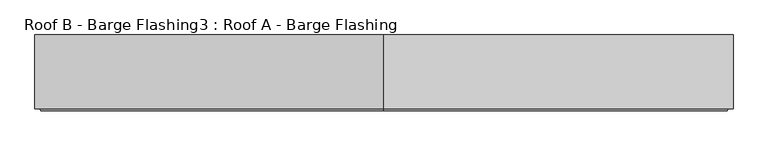
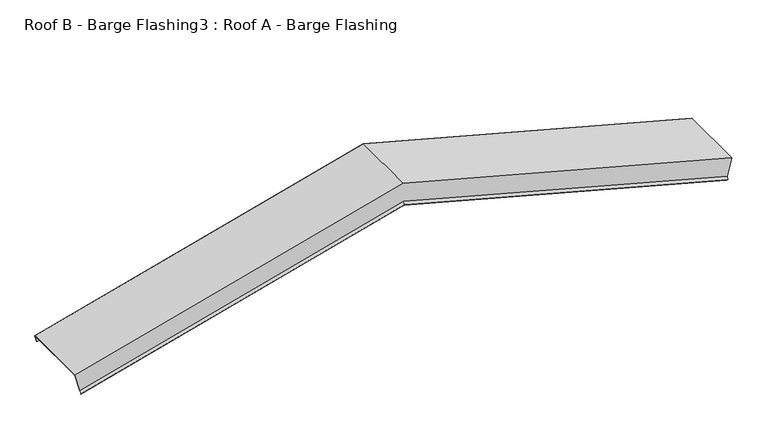
"""IFC4 building model written with IfcOpenShell, lengths in millimetres: proxy geometry, Roof B - Barge Flashing3 : Roof A - Barge Flashing."""

import ifcopenshell
import ifcopenshell.guid

model = None  # the IFC model being written
_history = None  # IfcOwnerHistory: only IFC2X3 demands one
_inside = {}  # id of a spatial element -> (the spatial element, [elements in it])
_under = {}  # id of a project, library or spatial element -> (it, [spatial elements below it])
_declared = {}  # id of a project -> (the project, [libraries it declares])
_typed = {}  # id of a type object -> (the type object, [elements of that type])
_made_of = {}  # id of a material, layer set ... -> (it, [elements and type objects made of it])


def new_model(schema):
    """Start an empty IFC model of exactly this schema.

    Asked for "IFC4X3", IfcOpenShell would pick the latest addendum, in which some entities
    have other attributes; the version numbers below select the first issue.
    IFC2X3 requires an IfcOwnerHistory on every rooted entity: one is made here for all.
    """
    global model, _history
    if schema == "IFC4X3":
        model = ifcopenshell.file(schema_version=(4, 3, 0, 0))
    else:
        model = ifcopenshell.file(schema=schema)
    _inside.clear()
    _under.clear()
    _declared.clear()
    _typed.clear()
    _made_of.clear()
    _history = None
    if model.schema == "IFC2X3":
        org = make("IfcOrganization", Name="unknown")
        user = make(
            "IfcPersonAndOrganization",
            ThePerson=make("IfcPerson", FamilyName="unknown"),
            TheOrganization=org,
        )
        app = make(
            "IfcApplication",
            ApplicationDeveloper=org,
            Version="unknown",
            ApplicationFullName="unknown",
            ApplicationIdentifier="unknown",
        )
        _history = make(
            "IfcOwnerHistory",
            OwningUser=user,
            OwningApplication=app,
            ChangeAction="ADDED",
            CreationDate=0,
        )
    return model


def make(cls, **values):
    """One entity of the class cls with the attributes given. An attribute that is None is left unset."""
    return model.create_entity(
        cls, **{name: value for name, value in values.items() if value is not None}
    )


def rooted(cls, **values):
    """An entity with a GlobalId (a new one), such as an element, a storey or a relation."""
    return make(cls, GlobalId=ifcopenshell.guid.new(), OwnerHistory=_history, **values)


def si_unit(unit_type, name, prefix=None):
    """IfcSIUnit, for example si_unit("LENGTHUNIT", "METRE", prefix="MILLI")."""
    return make("IfcSIUnit", UnitType=unit_type, Prefix=prefix, Name=name)


def assignment(units):
    """IfcUnitAssignment: the units of a project."""
    return None if units is None else make("IfcUnitAssignment", Units=units)


def point(xyz):
    """IfcCartesianPoint."""
    return None if xyz is None else make("IfcCartesianPoint", Coordinates=xyz)


def direction(xyz):
    """IfcDirection."""
    return None if xyz is None else make("IfcDirection", DirectionRatios=xyz)


def frame(location, z_axis=None, x_axis=None):
    """IfcAxis2Placement3D, a coordinate frame: its origin and axes. An axis left out is left unset."""
    return make(
        "IfcAxis2Placement3D",
        Location=point(location),
        Axis=direction(z_axis),
        RefDirection=direction(x_axis),
    )


def origin():
    """The frame at (0, 0, 0) with its axes left unset."""
    return frame((0.0, 0.0, 0.0))


def place(relative_to, where):
    """IfcLocalPlacement: puts the frame where relative to a parent placement (None: the world)."""
    return make(
        "IfcLocalPlacement", PlacementRelTo=relative_to, RelativePlacement=where
    )


def context(
    kind, dimensions, precision=None, world=None, true_north=None, identifier=None
):
    """IfcGeometricRepresentationContext, for example the 3D "Model" context."""
    return make(
        "IfcGeometricRepresentationContext",
        ContextIdentifier=identifier,
        ContextType=kind,
        CoordinateSpaceDimension=dimensions,
        Precision=precision,
        WorldCoordinateSystem=world,
        TrueNorth=true_north,
    )


def project(units=None, contexts=None):
    """IfcProject with its units and contexts."""
    return rooted(
        "IfcProject",
        Name="project",
        RepresentationContexts=contexts,
        UnitsInContext=assignment(units),
    )


def spatial(cls, under=None, at=None, **own):
    """A site, building, storey or space (cls), placed at a placement, below another one or the project."""
    s = rooted(cls, ObjectPlacement=at, **own)
    if under is not None:
        _under.setdefault(under.id(), (under, []))[1].append(s)
    return s


def faces_of(points, faces, orient=None, outer=None):
    """IfcFace entities. A face is a list of loops; a loop is a list of indices into points, from 0.

    orient and outer hold one flag for each loop. By default every Orientation is true, the
    first loop of a face is its IfcFaceOuterBound and the others are IfcFaceBound.
    """
    made = []
    for i, loops in enumerate(faces):
        bounds = []
        for j, loop in enumerate(loops):
            is_outer = j == 0 if outer is None else outer[i][j]
            bounds.append(
                make(
                    "IfcFaceOuterBound" if is_outer else "IfcFaceBound",
                    Bound=make("IfcPolyLoop", Polygon=[points[k] for k in loop]),
                    Orientation=True if orient is None else orient[i][j],
                )
            )
        made.append(make("IfcFace", Bounds=bounds))
    return made


def faceted_brep(points, faces, orient=None, outer=None, voids=None):
    """IfcFacetedBrep: a solid bounded by flat faces; with voids (closed shells), ...WithVoids."""
    shared = [point(p) for p in points]
    hull = make("IfcClosedShell", CfsFaces=faces_of(shared, faces, orient, outer))
    if voids is None:
        return make("IfcFacetedBrep", Outer=hull)
    return make(
        "IfcFacetedBrepWithVoids",
        Outer=hull,
        Voids=[
            make(cls, CfsFaces=faces_of(shared, fs, o, b)) for cls, fs, o, b in voids
        ],
    )


def shape(context_of_items, identifier, shape_type, items):
    """IfcShapeRepresentation: the items that make up one representation, for example the "Body"."""
    return make(
        "IfcShapeRepresentation",
        ContextOfItems=context_of_items,
        RepresentationIdentifier=identifier,
        RepresentationType=shape_type,
        Items=items,
    )


def source(mapping_origin, context_of_items, identifier, shape_type, items):
    """IfcRepresentationMap: a shape defined once, which mapped items show again and again."""
    return make(
        "IfcRepresentationMap",
        MappingOrigin=mapping_origin,
        MappedRepresentation=shape(context_of_items, identifier, shape_type, items),
    )


def transform(
    local_origin,
    x_axis=None,
    y_axis=None,
    z_axis=None,
    scale=None,
    scale2=None,
    scale3=None,
    uniform=True,
):
    """IfcCartesianTransformationOperator3D, or its non-uniform kind. x_axis, y_axis, z_axis: its Axis1, 2, 3."""
    if uniform:
        return make(
            "IfcCartesianTransformationOperator3D",
            Axis1=direction(x_axis),
            Axis2=direction(y_axis),
            LocalOrigin=point(local_origin),
            Scale=scale,
            Axis3=direction(z_axis),
        )
    return make(
        "IfcCartesianTransformationOperator3DnonUniform",
        Axis1=direction(x_axis),
        Axis2=direction(y_axis),
        LocalOrigin=point(local_origin),
        Scale=scale,
        Axis3=direction(z_axis),
        Scale2=scale2,
        Scale3=scale3,
    )


def mapped(mapping_source, mapping_target):
    """IfcMappedItem: shows the shape of a source again, moved by a transform."""
    return make(
        "IfcMappedItem", MappingSource=mapping_source, MappingTarget=mapping_target
    )


def made_of(thing, what):
    """Note that an element or type object is made of a material, layer set ...; save() writes the relation."""
    if what is not None:
        _made_of.setdefault(what.id(), (what, []))[1].append(thing)
    return thing


def element(
    cls,
    number,
    at=None,
    inside=None,
    cuts=None,
    type_object=None,
    material=None,
    context=None,
    identifier="Body",
    shape_type=None,
    held_by="IfcProductDefinitionShape",
    body=None,
    shapes=None,
    **own,
):
    """One element of the class cls, such as IfcWall. Its Tag is "e" and its number.

    at: its placement. inside: the storey or other place that contains it. cuts: it is an
    opening in that element (IfcRelVoidsElement). A single representation is given by context,
    identifier, shape_type and body (its items); several are given by shapes. held_by: the class
    of the entity that holds the representations. save() writes the other relations.
    """
    e = rooted(cls, Tag="e%d" % number, ObjectPlacement=at, **own)
    if body is not None:
        shapes = [shape(context, identifier, shape_type, body)]
    if shapes is not None:
        e.Representation = make(held_by, Representations=shapes)
    if inside is not None:
        _inside.setdefault(inside.id(), (inside, []))[1].append(e)
    if cuts is not None:
        rooted(
            "IfcRelVoidsElement", RelatingBuildingElement=cuts, RelatedOpeningElement=e
        )
    if type_object is not None:
        _typed.setdefault(type_object.id(), (type_object, []))[1].append(e)
    return made_of(e, material)


def aggregate(whole, parts):
    """IfcRelAggregates: a whole, such as a stair, and the parts it consists of."""
    return rooted("IfcRelAggregates", RelatingObject=whole, RelatedObjects=parts)


def save(model, path):
    """Write the relations noted so far, then the file.

    IfcRelAggregates (storeys below a building ...), IfcRelContainedInSpatialStructure (elements
    in a storey), IfcRelDefinesByType, IfcRelAssociatesMaterial and IfcRelDeclares: one each for
    every whole, place, type object, material and project.
    """
    for whole, parts in _under.values():
        aggregate(whole, parts)
    for where, things in _inside.values():
        rooted(
            "IfcRelContainedInSpatialStructure",
            RelatedElements=things,
            RelatingStructure=where,
        )
    for kind, things in _typed.values():
        rooted("IfcRelDefinesByType", RelatedObjects=things, RelatingType=kind)
    for what, things in _made_of.values():
        rooted("IfcRelAssociatesMaterial", RelatedObjects=things, RelatingMaterial=what)
    for by, libraries in _declared.values():
        rooted("IfcRelDeclares", RelatingContext=by, RelatedDefinitions=libraries)
    model.write(path)


def roof_b_barge_flashing3_roof_a_barge_flashing_900f861a(model_context):
    return source(origin(), model_context, "Body", "Brep", [
        faceted_brep([(-4746.6801508, -11879.9321957, 3421.0347541), (-4758.7152364, -11879.9321957, 3376.1192032), (-4758.7152364, -11878.9321957, 3376.1192032), (-4746.4213317, -11878.9321957, 3422.00068), (-4746.4213317, -12329.0668095, 3422.00068), (-4777.1560933, -12329.0668095, 3307.2969881), (-4780.8163474, -12343.2089451, 3293.6367341), (-4783.5615379, -12332.6023434, 3283.3915435), (-4783.3785252, -12331.8952366, 3284.0745562), (-4780.8163474, -12341.7947316, 3293.6367341), (-4777.2632997, -12328.0668095, 3306.8968885), (-4746.6801508, -12328.0668095, 3421.0347541), (-6878.8553653, -11879.9321957, 3992.349381), (-9011.0305798, -11879.9321957, 3421.0347541), (-8998.9954942, -11879.9321957, 3376.1192032), (-6878.8553653, -11879.9321957, 3944.2090386), (-6878.8553653, -11878.9321957, 3944.2090386), (-8998.9954942, -11878.9321957, 3376.1192032), (-9011.2893988, -11878.9321957, 3422.00068), (-6878.8553653, -11878.9321957, 3993.3846572), (-6878.8553653, -12329.0668095, 3993.3846572), (-9011.2893988, -12329.0668095, 3422.00068), (-8980.5546372, -12329.0668095, 3307.2969881), (-6878.8553653, -12329.0668095, 3870.4456108), (-6878.8553653, -12343.2089451, 3855.8045946), (-6878.8553653, -12332.6023434, 3844.8238325), (-6878.8553653, -12331.8952366, 3845.5558833), (-6878.8553653, -12341.7947316, 3855.8045946), (-6878.8553653, -12328.0668095, 3870.0167853), (-8980.4474309, -12328.0668095, 3306.8968885), (-9011.0305798, -12328.0668095, 3421.0347541), (-6878.8553653, -12328.0668095, 3992.349381), (-8976.8943832, -12341.7947316, 3293.6367341), (-8974.3322054, -12331.8952366, 3284.0745562), (-8974.1491927, -12332.6023434, 3283.3915435), (-8976.8943832, -12343.2089451, 3293.6367341)], [[[0, 1, 2, 3, 4, 5, 6, 7, 8, 9, 10, 11]], [[1, 0, 12, 13, 14, 15]], [[2, 1, 15, 16]], [[3, 2, 16, 17, 18, 19]], [[4, 3, 19, 20]], [[5, 4, 20, 21, 22, 23]], [[6, 5, 23, 24]], [[7, 6, 24, 25]], [[8, 7, 25, 26]], [[9, 8, 26, 27]], [[10, 9, 27, 28]], [[11, 10, 28, 29, 30, 31]], [[0, 11, 31, 12]], [[13, 30, 29, 32, 33, 34, 35, 22, 21, 18, 17, 14]], [[16, 15, 14, 17]], [[20, 19, 18, 21]], [[24, 23, 22, 35]], [[25, 24, 35, 34]], [[26, 25, 34, 33]], [[27, 26, 33, 32]], [[28, 27, 32, 29]], [[12, 31, 30, 13]]]),
    ])


if __name__ == "__main__":
    model = new_model("IFC4")
    model_context = context("Model", 3, world=origin())
    ifc_project = project(units=[si_unit("LENGTHUNIT", "METRE", prefix="MILLI")], contexts=[model_context])
    site = spatial("IfcSite", under=ifc_project)
    building = spatial("IfcBuilding", under=site)
    placement = place(None, origin())
    roof_b_barge_flashing3_roof_a_barge_flashing_shape = roof_b_barge_flashing3_roof_a_barge_flashing_900f861a(model_context)
    element("IfcBuildingElementProxy", 1, Name="Roof B - Barge Flashing3 : Roof A - Barge Flashing", ObjectType="Roof B - Barge Flashing3 : Roof A - Barge Flashing", at=placement, inside=building, context=model_context, shape_type="MappedRepresentation", body=[
        mapped(roof_b_barge_flashing3_roof_a_barge_flashing_shape, transform((0.0, 0.0, 0.0), x_axis=(1.0, 0.0, 0.0), y_axis=(0.0, 1.0, 0.0), z_axis=(0.0, 0.0, 1.0))),
    ])
    save(model, "model.ifc")
